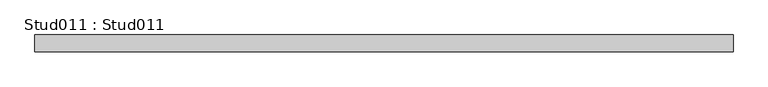
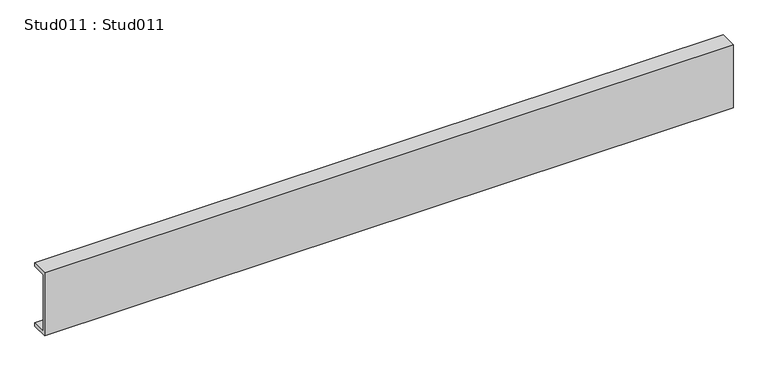
"""IFC4 building model written with IfcOpenShell, lengths in millimetres: proxy geometry, Stud011 : Stud011."""

from ifc_helpers import new_model, si_unit, frame, origin, place, context, project, spatial, polyline, outline, extrude, source, transform, mapped, element, save


def stud011_stud011_e3e17e7f(model_context):
    return source(origin(), model_context, "Body", "SweptSolid", [
        extrude(outline(polyline([(-24991.5529946, 2606.675), (-25029.6529946, 2606.675), (-25029.6529946, 2758.6120276), (-24991.5529946, 2758.6120276), (-24991.5529946, 2750.656546), (-25025.1529946, 2750.656546), (-25025.1529946, 2614.175), (-24991.5529946, 2614.175), (-24991.5529946, 2606.675)])), frame((37916.4210168, 0.0, 0.0), z_axis=(1.0, 0.0, 0.0), x_axis=(0.0, 1.0, 0.0)), (0.0, 0.0, 1.0), 1565.9482145),
    ])


if __name__ == "__main__":
    model = new_model("IFC4")
    model_context = context("Model", 3, world=origin())
    ifc_project = project(units=[si_unit("LENGTHUNIT", "METRE", prefix="MILLI")], contexts=[model_context])
    site = spatial("IfcSite", under=ifc_project)
    building = spatial("IfcBuilding", under=site)
    placement = place(None, origin())
    stud011_stud011_shape = stud011_stud011_e3e17e7f(model_context)
    element("IfcBuildingElementProxy", 1, Name="Stud011 : Stud011", ObjectType="Stud011 : Stud011", at=placement, inside=building, context=model_context, shape_type="MappedRepresentation", body=[
        mapped(stud011_stud011_shape, transform((0.0, 0.0, 0.0), x_axis=(1.0, 0.0, 0.0), y_axis=(0.0, 1.0, 0.0), z_axis=(0.0, 0.0, 1.0))),
    ])
    save(model, "model.ifc")
